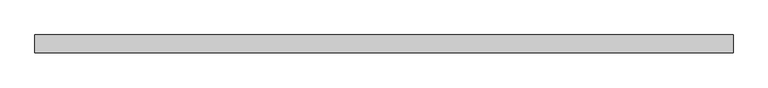
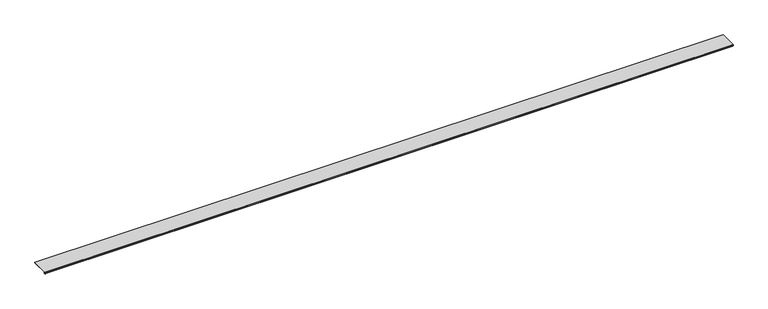
"""IFC4 building model written with IfcOpenShell, lengths in millimetres: proxy geometry."""

from ifc_helpers import new_model, si_unit, point, frame, frame_2d, origin, place, context, project, spatial, polyline, circle_curve, trimmed, segment, composite_curve, outline, extrude, source, transform, mapped, element, save


def generic_models_91cfb574(model_context):
    return source(origin(), model_context, "Body", "SweptSolid", [
        extrude(outline(composite_curve([segment(polyline([(88.9, 13.2537076), (88.9, 11.6837076), (2.2248214, 11.6837076)]), True, "CONTINUOUS"), segment(trimmed(circle_curve(frame_2d((2.2248214, 11.0887076)), 0.595), [point((2.2248214, 11.6837076))], [point((2.2248214, 10.4937076))], True, "CARTESIAN"), True, "CONTINUOUS"), segment(polyline([(2.2248214, 10.4937076), (3.6558496, 10.4937076), (4.9451168, 9.4970429), (6.3249897, 9.4327708)]), True, "CONTINUOUS"), segment(trimmed(circle_curve(frame_2d((6.2187315, 7.151486)), 2.2837581), [point((6.3249897, 9.4327708))], [point((6.2187315, 4.8677279))], False, "CARTESIAN"), True, "CONTINUOUS"), segment(polyline([(6.2187315, 4.8677279), (2.2864187, 4.8677279)]), True, "CONTINUOUS"), segment(trimmed(circle_curve(frame_2d((2.2864187, 5.5318063)), 0.6640784), [point((2.2864187, 4.8677279))], [point((2.2365622, 6.1940104))], False, "CARTESIAN"), True, "CONTINUOUS"), segment(polyline([(2.2365622, 6.1940104), (4.5052255, 6.3177279), (6.0737133, 6.3177279)]), True, "CONTINUOUS"), segment(trimmed(circle_curve(frame_2d((6.0737133, 7.2927279)), 0.975), [point((6.0737133, 6.3177279))], [point((6.0737133, 8.2677279))], True, "CARTESIAN"), True, "CONTINUOUS"), segment(polyline([(6.0737133, 8.2677279), (4.8744927, 8.2677279), (3.9294566, 8.3107178)]), True, "CONTINUOUS"), segment(trimmed(circle_curve(frame_2d((2.4844378, 6.6596487)), 2.1941076), [point((3.9294566, 8.3107178))], [point((1.090066, 8.3537076))], True, "CARTESIAN"), True, "CONTINUOUS"), segment(polyline([(1.090066, 8.3537076), (0.0792777, 8.3537076), (-0.0001544, 13.2537076), (88.9, 13.2537076)]), True, "CONTINUOUS")], self_intersect=False)), frame((0.0, 0.0, 0.0), z_axis=(1.0, 0.0, 0.0), x_axis=(0.0, 1.0, 0.0)), (0.0, 0.0, 1.0), 3505.2),
    ])


if __name__ == "__main__":
    model = new_model("IFC4")
    model_context = context("Model", 3, world=origin())
    ifc_project = project(units=[si_unit("LENGTHUNIT", "METRE", prefix="MILLI")], contexts=[model_context])
    site = spatial("IfcSite", under=ifc_project)
    building = spatial("IfcBuilding", under=site)
    placement = place(None, origin())
    generic_models_shape = generic_models_91cfb574(model_context)
    element("IfcBuildingElementProxy", 1, Name="Generic Models", at=placement, inside=building, context=model_context, shape_type="MappedRepresentation", body=[
        mapped(generic_models_shape, transform((0.0, 0.0, 0.0), x_axis=(1.0, 0.0, 0.0), y_axis=(0.0, 1.0, 0.0), z_axis=(0.0, 0.0, 1.0))),
    ])
    save(model, "model.ifc")
